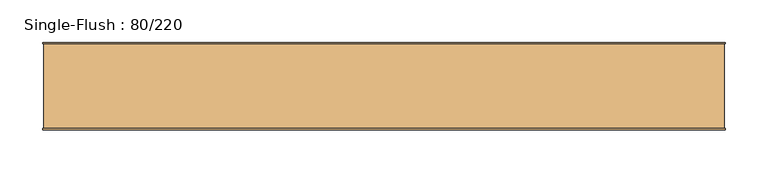
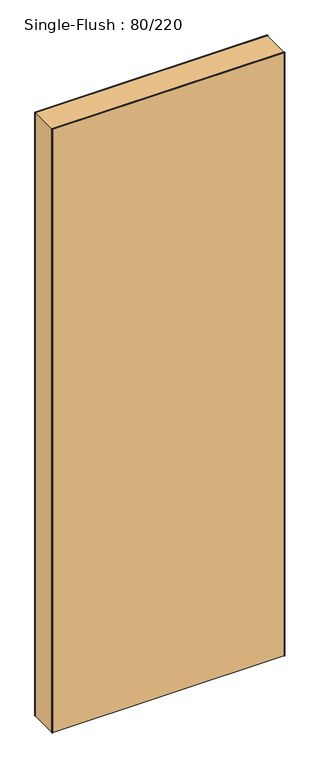
"""IFC4 building model written with IfcOpenShell, lengths in millimetres: door geometry, Single-Flush : 80/220."""

from ifc_helpers import new_model, si_unit, frame, origin, origin_with_axes, place, context, project, spatial, polyline, outline, extrude, source, transform, mapped, element, save


def single_flush_80_220_ff25c35b(model_context):
    return source(origin(), model_context, "Body", "SweptSolid", [
        extrude(outline(polyline([(2201.5875, -401.5875), (0.0, -401.5875), (0.0, -400.0), (2200.0, -400.0), (2200.0, 400.0), (0.0, 400.0), (0.0, 401.5875), (2201.5875, 401.5875), (2201.5875, -401.5875)])), frame((0.0, -51.5875, 0.0), z_axis=(0.0, 1.0, 0.0), x_axis=(0.0, 0.0, 1.0)), (0.0, 0.0, 1.0), 1.5875),
        extrude(outline(polyline([(2201.5875, 401.5875), (2201.5875, -401.5875), (0.0, -401.5875), (0.0, -400.0), (2200.0, -400.0), (2200.0, 400.0), (0.0, 400.0), (0.0, 401.5875), (2201.5875, 401.5875)])), frame((0.0, 50.0, 0.0), z_axis=(0.0, 1.0, 0.0), x_axis=(0.0, 0.0, 1.0)), (0.0, 0.0, 1.0), 1.5875),
        extrude(outline(polyline([(400.0, 50.0), (400.0, -50.0), (-400.0, -50.0), (-400.0, 50.0), (400.0, 50.0)])), origin_with_axes(), (0.0, 0.0, 1.0), 2200.0),
    ])


if __name__ == "__main__":
    model = new_model("IFC4")
    model_context = context("Model", 3, world=origin())
    ifc_project = project(units=[si_unit("LENGTHUNIT", "METRE", prefix="MILLI")], contexts=[model_context])
    site = spatial("IfcSite", under=ifc_project)
    building = spatial("IfcBuilding", under=site)
    placement = place(None, origin())
    single_flush_80_220_shape = single_flush_80_220_ff25c35b(model_context)
    element("IfcDoor", 1, ObjectType="Single-Flush : 80/220", at=placement, inside=building, context=model_context, shape_type="MappedRepresentation", body=[
        mapped(single_flush_80_220_shape, transform((0.0, 0.0, 0.0), x_axis=(1.0, 0.0, 0.0), y_axis=(0.0, 1.0, 0.0), z_axis=(0.0, 0.0, 1.0))),
    ])
    save(model, "model.ifc")
